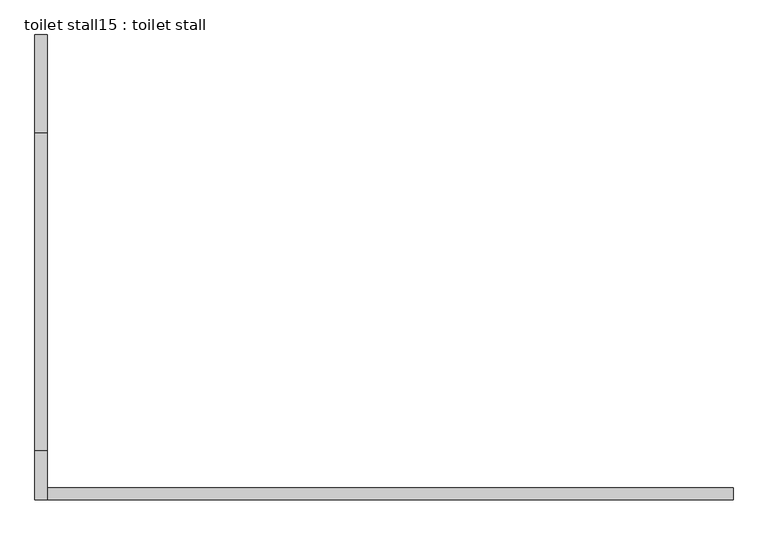
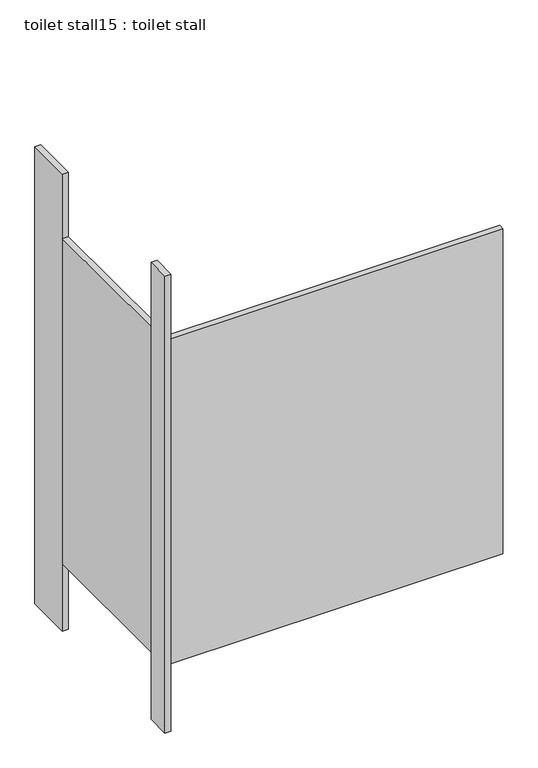
"""IFC4 building model written with IfcOpenShell, lengths in millimetres: proxy geometry, toilet stall15 : toilet stall."""

from ifc_helpers import new_model, si_unit, frame, origin, origin_with_axes, place, context, project, spatial, polyline, outline, extrude, source, transform, mapped, element, save


def toilet_stall15_toilet_stall_e2494c8a(model_context):
    return source(origin(), model_context, "Body", "SweptSolid", [
        extrude(outline(polyline([(454658.2004676, -279207.0988632), (454632.8004676, -279207.0988632), (454632.8004676, -279003.8988632), (454658.2004676, -279003.8988632), (454658.2004676, -279207.0988632)])), origin_with_axes(), (0.0, 0.0, 1.0), 2070.1),
        extrude(outline(polyline([(454658.2004676, -279969.0988632), (454632.8004676, -279969.0988632), (454632.8004676, -279867.4988632), (454658.2004676, -279867.4988632), (454658.2004676, -279969.0988632)])), origin_with_axes(), (0.0, 0.0, 1.0), 2070.1),
        extrude(outline(polyline([(454658.2004676, -279969.0988632), (454658.2004676, -279943.6988632), (456080.6004676, -279943.6988632), (456080.6004676, -279969.0988632), (454658.2004676, -279969.0988632)])), frame((0.0, 0.0, 304.8), z_axis=(0.0, 0.0, 1.0), x_axis=(1.0, 0.0, 0.0)), (0.0, 0.0, 1.0), 1473.2),
        extrude(outline(polyline([(454658.2004676, -279867.4988632), (454632.8004676, -279867.4988632), (454632.8004676, -279207.0988632), (454658.2004676, -279207.0988632), (454658.2004676, -279867.4988632)])), frame((0.0, 0.0, 304.8), z_axis=(0.0, 0.0, 1.0), x_axis=(1.0, 0.0, 0.0)), (0.0, 0.0, 1.0), 1473.2),
    ])


if __name__ == "__main__":
    model = new_model("IFC4")
    model_context = context("Model", 3, world=origin())
    ifc_project = project(units=[si_unit("LENGTHUNIT", "METRE", prefix="MILLI")], contexts=[model_context])
    site = spatial("IfcSite", under=ifc_project)
    building = spatial("IfcBuilding", under=site)
    placement = place(None, origin())
    toilet_stall15_toilet_stall_shape = toilet_stall15_toilet_stall_e2494c8a(model_context)
    element("IfcBuildingElementProxy", 1, Name="toilet stall15 : toilet stall", ObjectType="toilet stall15 : toilet stall", at=placement, inside=building, context=model_context, shape_type="MappedRepresentation", body=[
        mapped(toilet_stall15_toilet_stall_shape, transform((0.0, 0.0, 0.0), x_axis=(1.0, 0.0, 0.0), y_axis=(0.0, 1.0, 0.0), z_axis=(0.0, 0.0, 1.0))),
    ])
    save(model, "model.ifc")
